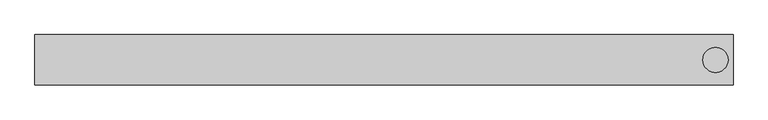
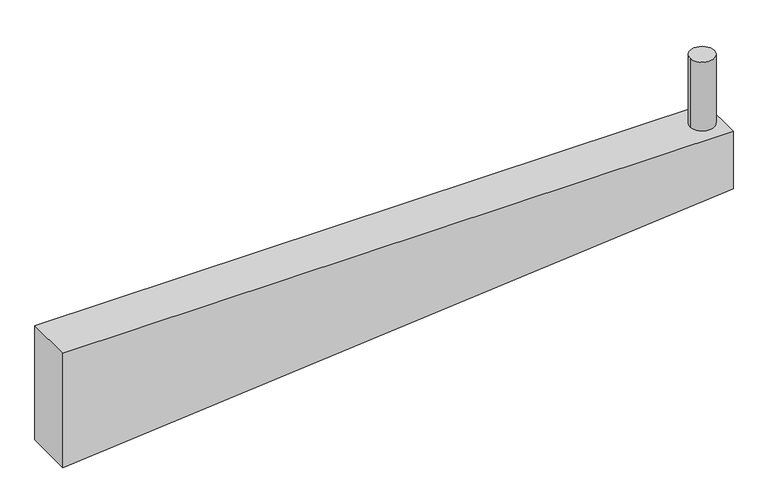
"""IFC4 building model written with IfcOpenShell, lengths in millimetres: beam geometry."""

from ifc_helpers import new_model, si_unit, point, frame, frame_2d, origin, origin_with_axes, place, context, project, spatial, polyline, circle_curve, trimmed, segment, composite_curve, outline, extrude, source, transform, mapped, element, save


def beam_c2aee4fb(model_context):
    return source(origin(), model_context, "Body", "SweptSolid", [
        extrude(outline(composite_curve([segment(trimmed(circle_curve(frame_2d((1315.0, 0.0)), 50.0), [point((1265.0, 0.0))], [point((1365.0, 0.0))], False, "CARTESIAN"), True, "CONTINUOUS"), segment(trimmed(circle_curve(frame_2d((1315.0, 0.0)), 50.0), [point((1365.0, 0.0))], [point((1265.0, 0.0))], False, "CARTESIAN"), True, "CONTINUOUS")], self_intersect=False)), origin_with_axes(), (0.0, 0.0, 1.0), 300.0),
        extrude(outline(polyline([(-250.0, 1385.0), (0.0, 1385.0), (0.0, -1385.0), (-500.0, -1385.0), (-250.0, 1385.0)])), frame((0.0, -100.0, 0.0), z_axis=(0.0, 1.0, 0.0), x_axis=(0.0, 0.0, 1.0)), (0.0, 0.0, 1.0), 200.0),
    ])


if __name__ == "__main__":
    model = new_model("IFC4")
    model_context = context("Model", 3, world=origin())
    ifc_project = project(units=[si_unit("LENGTHUNIT", "METRE", prefix="MILLI")], contexts=[model_context])
    site = spatial("IfcSite", under=ifc_project)
    building = spatial("IfcBuilding", under=site)
    placement = place(None, origin())
    beam_shape = beam_c2aee4fb(model_context)
    element("IfcBeam", 1, at=placement, inside=building, context=model_context, shape_type="MappedRepresentation", body=[
        mapped(beam_shape, transform((0.0, 0.0, 0.0), x_axis=(1.0, 0.0, 0.0), y_axis=(0.0, 1.0, 0.0), z_axis=(0.0, 0.0, 1.0))),
    ])
    save(model, "model.ifc")
